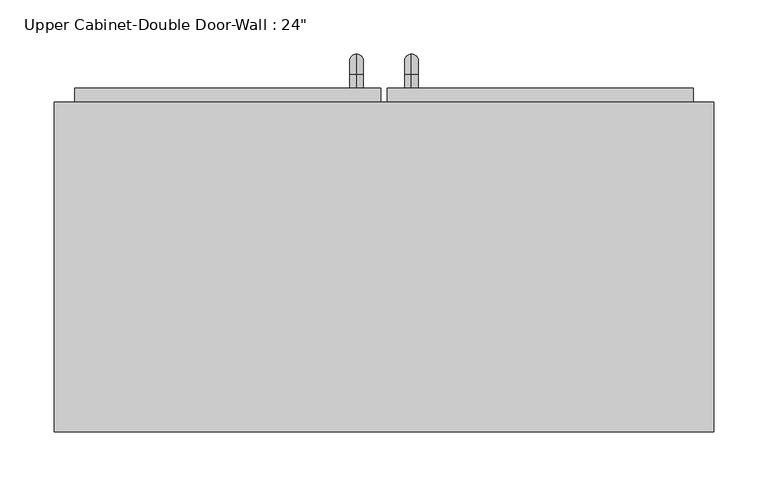
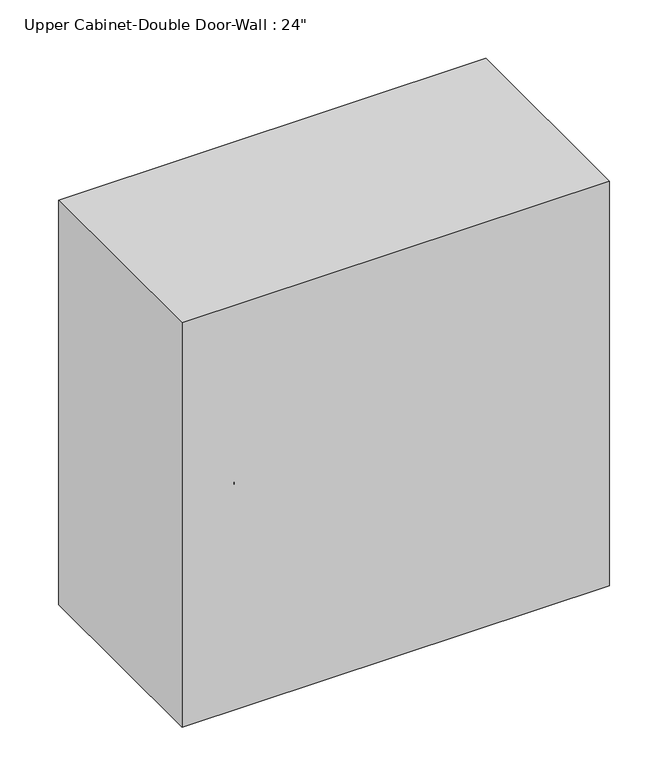
"""IFC4 building model written with IfcOpenShell, lengths in millimetres: furniture geometry."""

import ifcopenshell
import ifcopenshell.guid

model = None  # the IFC model being written
_history = None  # IfcOwnerHistory: only IFC2X3 demands one
_inside = {}  # id of a spatial element -> (the spatial element, [elements in it])
_under = {}  # id of a project, library or spatial element -> (it, [spatial elements below it])
_declared = {}  # id of a project -> (the project, [libraries it declares])
_typed = {}  # id of a type object -> (the type object, [elements of that type])
_made_of = {}  # id of a material, layer set ... -> (it, [elements and type objects made of it])


def new_model(schema):
    """Start an empty IFC model of exactly this schema.

    Asked for "IFC4X3", IfcOpenShell would pick the latest addendum, in which some entities
    have other attributes; the version numbers below select the first issue.
    IFC2X3 requires an IfcOwnerHistory on every rooted entity: one is made here for all.
    """
    global model, _history
    if schema == "IFC4X3":
        model = ifcopenshell.file(schema_version=(4, 3, 0, 0))
    else:
        model = ifcopenshell.file(schema=schema)
    _inside.clear()
    _under.clear()
    _declared.clear()
    _typed.clear()
    _made_of.clear()
    _history = None
    if model.schema == "IFC2X3":
        org = make("IfcOrganization", Name="unknown")
        user = make(
            "IfcPersonAndOrganization",
            ThePerson=make("IfcPerson", FamilyName="unknown"),
            TheOrganization=org,
        )
        app = make(
            "IfcApplication",
            ApplicationDeveloper=org,
            Version="unknown",
            ApplicationFullName="unknown",
            ApplicationIdentifier="unknown",
        )
        _history = make(
            "IfcOwnerHistory",
            OwningUser=user,
            OwningApplication=app,
            ChangeAction="ADDED",
            CreationDate=0,
        )
    return model


def make(cls, **values):
    """One entity of the class cls with the attributes given. An attribute that is None is left unset."""
    return model.create_entity(
        cls, **{name: value for name, value in values.items() if value is not None}
    )


def rooted(cls, **values):
    """An entity with a GlobalId (a new one), such as an element, a storey or a relation."""
    return make(cls, GlobalId=ifcopenshell.guid.new(), OwnerHistory=_history, **values)


def si_unit(unit_type, name, prefix=None):
    """IfcSIUnit, for example si_unit("LENGTHUNIT", "METRE", prefix="MILLI")."""
    return make("IfcSIUnit", UnitType=unit_type, Prefix=prefix, Name=name)


def assignment(units):
    """IfcUnitAssignment: the units of a project."""
    return None if units is None else make("IfcUnitAssignment", Units=units)


def point(xyz):
    """IfcCartesianPoint."""
    return None if xyz is None else make("IfcCartesianPoint", Coordinates=xyz)


def direction(xyz):
    """IfcDirection."""
    return None if xyz is None else make("IfcDirection", DirectionRatios=xyz)


def frame(location, z_axis=None, x_axis=None):
    """IfcAxis2Placement3D, a coordinate frame: its origin and axes. An axis left out is left unset."""
    return make(
        "IfcAxis2Placement3D",
        Location=point(location),
        Axis=direction(z_axis),
        RefDirection=direction(x_axis),
    )


def origin():
    """The frame at (0, 0, 0) with its axes left unset."""
    return frame((0.0, 0.0, 0.0))


def place(relative_to, where):
    """IfcLocalPlacement: puts the frame where relative to a parent placement (None: the world)."""
    return make(
        "IfcLocalPlacement", PlacementRelTo=relative_to, RelativePlacement=where
    )


def context(
    kind, dimensions, precision=None, world=None, true_north=None, identifier=None
):
    """IfcGeometricRepresentationContext, for example the 3D "Model" context."""
    return make(
        "IfcGeometricRepresentationContext",
        ContextIdentifier=identifier,
        ContextType=kind,
        CoordinateSpaceDimension=dimensions,
        Precision=precision,
        WorldCoordinateSystem=world,
        TrueNorth=true_north,
    )


def project(units=None, contexts=None):
    """IfcProject with its units and contexts."""
    return rooted(
        "IfcProject",
        Name="project",
        RepresentationContexts=contexts,
        UnitsInContext=assignment(units),
    )


def spatial(cls, under=None, at=None, **own):
    """A site, building, storey or space (cls), placed at a placement, below another one or the project."""
    s = rooted(cls, ObjectPlacement=at, **own)
    if under is not None:
        _under.setdefault(under.id(), (under, []))[1].append(s)
    return s


def polyline(points):
    """IfcPolyline through the points."""
    return make("IfcPolyline", Points=[point(p) for p in points])


def circle_curve(where, radius):
    """IfcCircle in the frame where."""
    return make("IfcCircle", Position=where, Radius=radius)


def ellipse_curve(where, semi_axis1, semi_axis2):
    """IfcEllipse in the frame where."""
    return make(
        "IfcEllipse", Position=where, SemiAxis1=semi_axis1, SemiAxis2=semi_axis2
    )


def trimmed(basis, trim1, trim2, sense, master):
    """IfcTrimmedCurve: the piece of a basis curve between two trims."""
    return make(
        "IfcTrimmedCurve",
        BasisCurve=basis,
        Trim1=trim1,
        Trim2=trim2,
        SenseAgreement=sense,
        MasterRepresentation=master,
    )


def outline(outer, holes=None, kind="AREA"):
    """IfcArbitraryClosedProfileDef: a profile drawn as a closed curve; with holes, ...WithVoids."""
    if holes is None:
        return make("IfcArbitraryClosedProfileDef", ProfileType=kind, OuterCurve=outer)
    return make(
        "IfcArbitraryProfileDefWithVoids",
        ProfileType=kind,
        OuterCurve=outer,
        InnerCurves=holes,
    )


def extrude(swept, where, along, depth):
    """IfcExtrudedAreaSolid: the profile swept, set in the frame where, extruded along a direction by depth."""
    return make(
        "IfcExtrudedAreaSolid",
        SweptArea=swept,
        Position=where,
        ExtrudedDirection=direction(along),
        Depth=depth,
    )


def faces_of(points, faces, orient=None, outer=None):
    """IfcFace entities. A face is a list of loops; a loop is a list of indices into points, from 0.

    orient and outer hold one flag for each loop. By default every Orientation is true, the
    first loop of a face is its IfcFaceOuterBound and the others are IfcFaceBound.
    """
    made = []
    for i, loops in enumerate(faces):
        bounds = []
        for j, loop in enumerate(loops):
            is_outer = j == 0 if outer is None else outer[i][j]
            bounds.append(
                make(
                    "IfcFaceOuterBound" if is_outer else "IfcFaceBound",
                    Bound=make("IfcPolyLoop", Polygon=[points[k] for k in loop]),
                    Orientation=True if orient is None else orient[i][j],
                )
            )
        made.append(make("IfcFace", Bounds=bounds))
    return made


def faceted_brep(points, faces, orient=None, outer=None, voids=None):
    """IfcFacetedBrep: a solid bounded by flat faces; with voids (closed shells), ...WithVoids."""
    shared = [point(p) for p in points]
    hull = make("IfcClosedShell", CfsFaces=faces_of(shared, faces, orient, outer))
    if voids is None:
        return make("IfcFacetedBrep", Outer=hull)
    return make(
        "IfcFacetedBrepWithVoids",
        Outer=hull,
        Voids=[
            make(cls, CfsFaces=faces_of(shared, fs, o, b)) for cls, fs, o, b in voids
        ],
    )


def shape(context_of_items, identifier, shape_type, items):
    """IfcShapeRepresentation: the items that make up one representation, for example the "Body"."""
    return make(
        "IfcShapeRepresentation",
        ContextOfItems=context_of_items,
        RepresentationIdentifier=identifier,
        RepresentationType=shape_type,
        Items=items,
    )


def source(mapping_origin, context_of_items, identifier, shape_type, items):
    """IfcRepresentationMap: a shape defined once, which mapped items show again and again."""
    return make(
        "IfcRepresentationMap",
        MappingOrigin=mapping_origin,
        MappedRepresentation=shape(context_of_items, identifier, shape_type, items),
    )


def transform(
    local_origin,
    x_axis=None,
    y_axis=None,
    z_axis=None,
    scale=None,
    scale2=None,
    scale3=None,
    uniform=True,
):
    """IfcCartesianTransformationOperator3D, or its non-uniform kind. x_axis, y_axis, z_axis: its Axis1, 2, 3."""
    if uniform:
        return make(
            "IfcCartesianTransformationOperator3D",
            Axis1=direction(x_axis),
            Axis2=direction(y_axis),
            LocalOrigin=point(local_origin),
            Scale=scale,
            Axis3=direction(z_axis),
        )
    return make(
        "IfcCartesianTransformationOperator3DnonUniform",
        Axis1=direction(x_axis),
        Axis2=direction(y_axis),
        LocalOrigin=point(local_origin),
        Scale=scale,
        Axis3=direction(z_axis),
        Scale2=scale2,
        Scale3=scale3,
    )


def mapped(mapping_source, mapping_target):
    """IfcMappedItem: shows the shape of a source again, moved by a transform."""
    return make(
        "IfcMappedItem", MappingSource=mapping_source, MappingTarget=mapping_target
    )


def made_of(thing, what):
    """Note that an element or type object is made of a material, layer set ...; save() writes the relation."""
    if what is not None:
        _made_of.setdefault(what.id(), (what, []))[1].append(thing)
    return thing


def element(
    cls,
    number,
    at=None,
    inside=None,
    cuts=None,
    type_object=None,
    material=None,
    context=None,
    identifier="Body",
    shape_type=None,
    held_by="IfcProductDefinitionShape",
    body=None,
    shapes=None,
    **own,
):
    """One element of the class cls, such as IfcWall. Its Tag is "e" and its number.

    at: its placement. inside: the storey or other place that contains it. cuts: it is an
    opening in that element (IfcRelVoidsElement). A single representation is given by context,
    identifier, shape_type and body (its items); several are given by shapes. held_by: the class
    of the entity that holds the representations. save() writes the other relations.
    """
    e = rooted(cls, Tag="e%d" % number, ObjectPlacement=at, **own)
    if body is not None:
        shapes = [shape(context, identifier, shape_type, body)]
    if shapes is not None:
        e.Representation = make(held_by, Representations=shapes)
    if inside is not None:
        _inside.setdefault(inside.id(), (inside, []))[1].append(e)
    if cuts is not None:
        rooted(
            "IfcRelVoidsElement", RelatingBuildingElement=cuts, RelatedOpeningElement=e
        )
    if type_object is not None:
        _typed.setdefault(type_object.id(), (type_object, []))[1].append(e)
    return made_of(e, material)


def aggregate(whole, parts):
    """IfcRelAggregates: a whole, such as a stair, and the parts it consists of."""
    return rooted("IfcRelAggregates", RelatingObject=whole, RelatedObjects=parts)


def save(model, path):
    """Write the relations noted so far, then the file.

    IfcRelAggregates (storeys below a building ...), IfcRelContainedInSpatialStructure (elements
    in a storey), IfcRelDefinesByType, IfcRelAssociatesMaterial and IfcRelDeclares: one each for
    every whole, place, type object, material and project.
    """
    for whole, parts in _under.values():
        aggregate(whole, parts)
    for where, things in _inside.values():
        rooted(
            "IfcRelContainedInSpatialStructure",
            RelatedElements=things,
            RelatingStructure=where,
        )
    for kind, things in _typed.values():
        rooted("IfcRelDefinesByType", RelatedObjects=things, RelatingType=kind)
    for what, things in _made_of.values():
        rooted("IfcRelAssociatesMaterial", RelatedObjects=things, RelatingMaterial=what)
    for by, libraries in _declared.values():
        rooted("IfcRelDeclares", RelatingContext=by, RelatedDefinitions=libraries)
    model.write(path)


def plane_surface(at):
    """IfcPlane: the flat surface through the origin of the frame at, square to its z axis."""
    return make("IfcPlane", Position=at)


def cylinder_surface(at, radius):
    """IfcCylindricalSurface: all points at the distance radius from the z axis of the frame at."""
    return make("IfcCylindricalSurface", Position=at, Radius=radius)


def revolved_surface(curve, axis_point, axis_direction):
    """IfcSurfaceOfRevolution: the curve turned about the line through axis_point along axis_direction."""
    return make(
        "IfcSurfaceOfRevolution",
        SweptCurve=make("IfcArbitraryOpenProfileDef", ProfileType="CURVE", Curve=curve),
        AxisPosition=make("IfcAxis1Placement", Location=point(axis_point), Axis=direction(axis_direction)),
    )


def advanced_brep(points, edges, surfaces, faces):
    """IfcAdvancedBrep: a solid bounded by faces that lie on surfaces and meet in shared edges.

    An edge is (start, end): straight between two places in points (the first is 0);
    or (start, end, curve); or (start, end, curve, False) where it runs against its curve.
    A face is (place in surfaces, loops), or (place, loops, False) where it looks against
    its surface's normal. A loop lists edges by number (the first is 1), with a minus sign
    where the edge is run from its end to its start. The first loop is the outer one.
    """
    corners = [point(p) for p in points]
    vertices = [make("IfcVertexPoint", VertexGeometry=c) for c in corners]
    made = []
    for start, end, *more in edges:
        made.append(
            make(
                "IfcEdgeCurve",
                EdgeStart=vertices[start],
                EdgeEnd=vertices[end],
                EdgeGeometry=more[0] if more else make("IfcPolyline", Points=[corners[start], corners[end]]),
                SameSense=more[1] if len(more) > 1 else True,
            )
        )
    hull = []
    for where, loops, *sense in faces:
        bounds = []
        for j, loop in enumerate(loops):
            ring = [make("IfcOrientedEdge", EdgeElement=made[abs(k) - 1], Orientation=k > 0) for k in loop]
            bounds.append(
                make(
                    "IfcFaceOuterBound" if j == 0 else "IfcFaceBound",
                    Bound=make("IfcEdgeLoop", EdgeList=ring),
                    Orientation=True,
                )
            )
        hull.append(make("IfcAdvancedFace", Bounds=bounds, FaceSurface=surfaces[where], SameSense=sense[0] if sense else True))
    return make("IfcAdvancedBrep", Outer=make("IfcClosedShell", CfsFaces=hull))


def furniture_7946080a(model_context):
    return source(origin(), model_context, "Body", "SolidModel", [
        faceted_brep([(-275.0288372, 76.2, 2133.6), (-275.0288372, 76.2, 1524.0), (334.5711628, 76.2, 1524.0), (334.5711628, 76.2, 2133.6), (-275.0288372, 381.0, 2133.6), (334.5711628, 381.0, 2133.6), (334.5711628, 381.0, 1524.0), (-275.0288372, 381.0, 1524.0), (-255.9788372, 381.0, 2114.55), (-255.9788372, 381.0, 1543.05), (315.5211628, 381.0, 1543.05), (315.5211628, 381.0, 2114.55), (315.5211628, 95.25, 2114.55), (-255.9788372, 95.25, 2114.55), (315.5211628, 95.25, 1543.05), (-255.9788372, 95.25, 1543.05)], [[[0, 1, 2, 3]], [[4, 5, 6, 7], [8, 9, 10, 11]], [[1, 0, 4, 7]], [[2, 1, 7, 6]], [[3, 2, 6, 5]], [[0, 3, 5, 4]], [[8, 11, 12, 13]], [[11, 10, 14, 12]], [[10, 9, 15, 14]], [[9, 8, 13, 15]], [[13, 12, 14, 15]]]),
        advanced_brep(
        [(55.1711628, 393.7, 1670.05), (55.1711628, 393.7, 1682.75), (55.1711628, 406.4, 1670.05), (55.1711628, 406.4, 1682.75), (55.1711628, 425.45, 1663.7), (55.1711628, 412.75, 1663.7), (55.1711628, 412.75, 1587.5), (55.1711628, 425.45, 1587.5), (55.1711628, 406.4, 1568.45), (55.1711628, 406.4, 1581.15), (55.1711628, 393.7, 1581.15), (55.1711628, 393.7, 1568.45)],
        [
            (0, 1, circle_curve(frame((55.1711628, 393.7, 1676.4), z_axis=(0.0, -1.0, 0.0), x_axis=(0.0, 0.0, -1.0)), 6.35)),
            (1, 0, circle_curve(frame((55.1711628, 393.7, 1676.4), z_axis=(0.0, -1.0, 0.0), x_axis=(0.0, 0.0, -1.0)), 6.35)),
            (0, 2),
            (2, 3, circle_curve(frame((55.1711628, 406.4, 1676.4), z_axis=(0.0, -1.0, 0.0), x_axis=(0.0, 0.0, -1.0)), 6.35)),
            (3, 1),
            (3, 2, circle_curve(frame((55.1711628, 406.4, 1676.4), z_axis=(0.0, -1.0, 0.0), x_axis=(0.0, 0.0, -1.0)), 6.35)),
            (4, 3, circle_curve(frame((55.1711628, 406.4, 1663.7), z_axis=(1.0, 0.0, 0.0), x_axis=(0.0, 0.0, 1.0)), 19.05)),
            (2, 5, circle_curve(frame((55.1711628, 406.4, 1663.7), z_axis=(-1.0, 0.0, 0.0), x_axis=(0.0, 0.0, 1.0)), 6.35)),
            (5, 4, circle_curve(frame((55.1711628, 419.1, 1663.7), z_axis=(0.0, 0.0, 1.0), x_axis=(0.0, -1.0, 0.0)), 6.35)),
            (4, 5, circle_curve(frame((55.1711628, 419.1, 1663.7), z_axis=(0.0, 0.0, 1.0), x_axis=(0.0, -1.0, 0.0)), 6.35)),
            (5, 6),
            (6, 7, circle_curve(frame((55.1711628, 419.1, 1587.5), z_axis=(0.0, 0.0, 1.0), x_axis=(0.0, -1.0, 0.0)), 6.35)),
            (7, 4),
            (7, 6, circle_curve(frame((55.1711628, 419.1, 1587.5), z_axis=(0.0, 0.0, 1.0), x_axis=(0.0, -1.0, 0.0)), 6.35)),
            (8, 7, circle_curve(frame((55.1711628, 406.4, 1587.5), z_axis=(1.0, 0.0, 0.0), x_axis=(0.0, 1.0, 0.0)), 19.05)),
            (6, 9, circle_curve(frame((55.1711628, 406.4, 1587.5), z_axis=(-1.0, 0.0, 0.0), x_axis=(0.0, 1.0, 0.0)), 6.35)),
            (9, 8, circle_curve(frame((55.1711628, 406.4, 1574.8), z_axis=(0.0, 1.0, 0.0), x_axis=(0.0, 0.0, 1.0)), 6.35)),
            (8, 9, circle_curve(frame((55.1711628, 406.4, 1574.8), z_axis=(0.0, 1.0, 0.0), x_axis=(0.0, 0.0, 1.0)), 6.35)),
            (10, 11, circle_curve(frame((55.1711628, 393.7, 1574.8), z_axis=(0.0, -1.0, 0.0), x_axis=(0.0, 0.0, 1.0)), 6.35)),
            (11, 10, circle_curve(frame((55.1711628, 393.7, 1574.8), z_axis=(0.0, -1.0, 0.0), x_axis=(0.0, 0.0, 1.0)), 6.35)),
            (9, 10),
            (11, 8),
        ],
        [
            plane_surface(frame((48.8211628, 393.7, 1676.4), z_axis=(0.0, -1.0, 0.0), x_axis=(0.0, 0.0, 1.0))),
            cylinder_surface(frame((55.1711628, 393.7, 1676.4), z_axis=(0.0, -1.0, 0.0), x_axis=(0.0, 0.0, -1.0)), 6.35),
            revolved_surface(trimmed(ellipse_curve(frame((55.1711628, 406.4, 1676.4), z_axis=(0.0, -1.0, 0.0), x_axis=(0.0, 0.0, -1.0)), 6.35, 6.35), [point((55.1711628, 406.4, 1670.05))], [point((55.1711628, 406.4, 1682.75))], True, "CARTESIAN"), (55.1711628, 406.4, 1663.7), (-1.0, 0.0, 0.0)),
            revolved_surface(trimmed(ellipse_curve(frame((55.1711628, 406.4, 1676.4), z_axis=(0.0, -1.0, 0.0), x_axis=(0.0, 0.0, -1.0)), 6.35, 6.35), [point((55.1711628, 406.4, 1682.75))], [point((55.1711628, 406.4, 1670.05))], True, "CARTESIAN"), (55.1711628, 406.4, 1663.7), (-1.0, 0.0, 0.0)),
            cylinder_surface(frame((55.1711628, 419.1, 1663.7), z_axis=(0.0, 0.0, 1.0), x_axis=(0.0, -1.0, 0.0)), 6.35),
            revolved_surface(trimmed(ellipse_curve(frame((55.1711628, 419.1, 1587.5), z_axis=(0.0, 0.0, 1.0), x_axis=(0.0, -1.0, 0.0)), 6.35, 6.35), [point((55.1711628, 412.75, 1587.5))], [point((55.1711628, 425.45, 1587.5))], True, "CARTESIAN"), (55.1711628, 406.4, 1587.5), (-1.0, 0.0, 0.0)),
            revolved_surface(trimmed(ellipse_curve(frame((55.1711628, 419.1, 1587.5), z_axis=(0.0, 0.0, 1.0), x_axis=(0.0, -1.0, 0.0)), 6.35, 6.35), [point((55.1711628, 425.45, 1587.5))], [point((55.1711628, 412.75, 1587.5))], True, "CARTESIAN"), (55.1711628, 406.4, 1587.5), (-1.0, 0.0, 0.0)),
            plane_surface(frame((48.8211628, 393.7, 1574.8), z_axis=(0.0, -1.0, 0.0), x_axis=(0.0, 0.0, -1.0))),
            cylinder_surface(frame((55.1711628, 406.4, 1574.8), z_axis=(0.0, 1.0, 0.0), x_axis=(0.0, 0.0, 1.0)), 6.35),
        ],
        [
            (0, [[1, 2]]),
            (1, [[-1, 3, 4, 5]]),
            (1, [[-2, -5, 6, -3]]),
            (2, [[7, -4, 8, 9]]),
            (3, [[-8, -6, -7, 10]]),
            (4, [[-9, 11, 12, 13]]),
            (4, [[-10, -13, 14, -11]]),
            (5, [[15, -12, 16, 17]]),
            (6, [[-16, -14, -15, 18]]),
            (7, [[19, 20]]),
            (8, [[-17, 21, -20, 22]]),
            (8, [[-18, -22, -19, -21]]),
        ],
    ),
        advanced_brep(
        [(4.3711628, 393.7, 1670.05), (4.3711628, 393.7, 1682.75), (4.3711628, 406.4, 1670.05), (4.3711628, 406.4, 1682.75), (4.3711628, 425.45, 1663.7), (4.3711628, 412.75, 1663.7), (4.3711628, 412.75, 1587.5), (4.3711628, 425.45, 1587.5), (4.3711628, 406.4, 1568.45), (4.3711628, 406.4, 1581.15), (4.3711628, 393.7, 1581.15), (4.3711628, 393.7, 1568.45)],
        [
            (0, 1, circle_curve(frame((4.3711628, 393.7, 1676.4), z_axis=(0.0, -1.0, 0.0), x_axis=(0.0, 0.0, 1.0)), 6.35)),
            (1, 0, circle_curve(frame((4.3711628, 393.7, 1676.4), z_axis=(0.0, -1.0, 0.0), x_axis=(0.0, 0.0, 1.0)), 6.35)),
            (0, 2),
            (2, 3, circle_curve(frame((4.3711628, 406.4, 1676.4), z_axis=(0.0, -1.0, 0.0), x_axis=(0.0, 0.0, 1.0)), 6.35)),
            (3, 1),
            (3, 2, circle_curve(frame((4.3711628, 406.4, 1676.4), z_axis=(0.0, -1.0, 0.0), x_axis=(0.0, 0.0, 1.0)), 6.35)),
            (4, 3, circle_curve(frame((4.3711628, 406.4, 1663.7), z_axis=(1.0, 0.0, 0.0), x_axis=(0.0, 0.0, 1.0)), 19.05)),
            (2, 5, circle_curve(frame((4.3711628, 406.4, 1663.7), z_axis=(-1.0, 0.0, 0.0), x_axis=(0.0, 0.0, 1.0)), 6.35)),
            (5, 4, circle_curve(frame((4.3711628, 419.1, 1663.7), z_axis=(0.0, 0.0, 1.0), x_axis=(0.0, 1.0, 0.0)), 6.35)),
            (4, 5, circle_curve(frame((4.3711628, 419.1, 1663.7), z_axis=(0.0, 0.0, 1.0), x_axis=(0.0, 1.0, 0.0)), 6.35)),
            (5, 6),
            (6, 7, circle_curve(frame((4.3711628, 419.1, 1587.5), z_axis=(0.0, 0.0, 1.0), x_axis=(0.0, 1.0, 0.0)), 6.35)),
            (7, 4),
            (7, 6, circle_curve(frame((4.3711628, 419.1, 1587.5), z_axis=(0.0, 0.0, 1.0), x_axis=(0.0, 1.0, 0.0)), 6.35)),
            (8, 7, circle_curve(frame((4.3711628, 406.4, 1587.5), z_axis=(1.0, 0.0, 0.0), x_axis=(0.0, 1.0, 0.0)), 19.05)),
            (6, 9, circle_curve(frame((4.3711628, 406.4, 1587.5), z_axis=(-1.0, 0.0, 0.0), x_axis=(0.0, 1.0, 0.0)), 6.35)),
            (9, 8, circle_curve(frame((4.3711628, 406.4, 1574.8), z_axis=(0.0, 1.0, 0.0), x_axis=(0.0, 0.0, -1.0)), 6.35)),
            (8, 9, circle_curve(frame((4.3711628, 406.4, 1574.8), z_axis=(0.0, 1.0, 0.0), x_axis=(0.0, 0.0, -1.0)), 6.35)),
            (10, 11, circle_curve(frame((4.3711628, 393.7, 1574.8), z_axis=(0.0, -1.0, 0.0), x_axis=(0.0, 0.0, -1.0)), 6.35)),
            (11, 10, circle_curve(frame((4.3711628, 393.7, 1574.8), z_axis=(0.0, -1.0, 0.0), x_axis=(0.0, 0.0, -1.0)), 6.35)),
            (9, 10),
            (11, 8),
        ],
        [
            plane_surface(frame((-1.9788372, 393.7, 1676.4), z_axis=(0.0, -1.0, 0.0), x_axis=(0.0, 0.0, 1.0))),
            cylinder_surface(frame((4.3711628, 393.7, 1676.4), z_axis=(0.0, -1.0, 0.0), x_axis=(0.0, 0.0, 1.0)), 6.35),
            revolved_surface(trimmed(ellipse_curve(frame((4.3711628, 406.4, 1676.4), z_axis=(0.0, -1.0, 0.0), x_axis=(0.0, 0.0, 1.0)), 6.35, 6.35), [point((4.3711628, 406.4, 1670.05))], [point((4.3711628, 406.4, 1682.75))], True, "CARTESIAN"), (4.3711628, 406.4, 1663.7), (-1.0, 0.0, 0.0)),
            revolved_surface(trimmed(ellipse_curve(frame((4.3711628, 406.4, 1676.4), z_axis=(0.0, -1.0, 0.0), x_axis=(0.0, 0.0, 1.0)), 6.35, 6.35), [point((4.3711628, 406.4, 1682.75))], [point((4.3711628, 406.4, 1670.05))], True, "CARTESIAN"), (4.3711628, 406.4, 1663.7), (-1.0, 0.0, 0.0)),
            cylinder_surface(frame((4.3711628, 419.1, 1663.7), z_axis=(0.0, 0.0, 1.0), x_axis=(0.0, 1.0, 0.0)), 6.35),
            revolved_surface(trimmed(ellipse_curve(frame((4.3711628, 419.1, 1587.5), z_axis=(0.0, 0.0, 1.0), x_axis=(0.0, 1.0, 0.0)), 6.35, 6.35), [point((4.3711628, 412.75, 1587.5))], [point((4.3711628, 425.45, 1587.5))], True, "CARTESIAN"), (4.3711628, 406.4, 1587.5), (-1.0, 0.0, 0.0)),
            revolved_surface(trimmed(ellipse_curve(frame((4.3711628, 419.1, 1587.5), z_axis=(0.0, 0.0, 1.0), x_axis=(0.0, 1.0, 0.0)), 6.35, 6.35), [point((4.3711628, 425.45, 1587.5))], [point((4.3711628, 412.75, 1587.5))], True, "CARTESIAN"), (4.3711628, 406.4, 1587.5), (-1.0, 0.0, 0.0)),
            plane_surface(frame((-1.9788372, 393.7, 1574.8), z_axis=(0.0, -1.0, 0.0), x_axis=(0.0, 0.0, -1.0))),
            cylinder_surface(frame((4.3711628, 406.4, 1574.8), z_axis=(0.0, 1.0, 0.0), x_axis=(0.0, 0.0, -1.0)), 6.35),
        ],
        [
            (0, [[1, 2]]),
            (1, [[-1, 3, 4, 5]]),
            (1, [[-2, -5, 6, -3]]),
            (2, [[7, -4, 8, 9]]),
            (3, [[-8, -6, -7, 10]]),
            (4, [[-9, 11, 12, 13]]),
            (4, [[-10, -13, 14, -11]]),
            (5, [[15, -12, 16, 17]]),
            (6, [[-16, -14, -15, 18]]),
            (7, [[19, 20]]),
            (8, [[-17, 21, -20, 22]]),
            (8, [[-18, -22, -19, -21]]),
        ],
    ),
        extrude(outline(polyline([(32.9461628, 393.7), (315.5211628, 393.7), (315.5211628, 361.95), (32.9461628, 361.95), (32.9461628, 393.7)])), frame((0.0, 0.0, 1543.05), z_axis=(0.0, 0.0, 1.0), x_axis=(1.0, 0.0, 0.0)), (0.0, 0.0, 1.0), 571.5),
        extrude(outline(polyline([(-255.9788372, 393.7), (26.5961628, 393.7), (26.5961628, 361.95), (-255.9788372, 361.95), (-255.9788372, 393.7)])), frame((0.0, 0.0, 1543.05), z_axis=(0.0, 0.0, 1.0), x_axis=(1.0, 0.0, 0.0)), (0.0, 0.0, 1.0), 571.5),
    ])


if __name__ == "__main__":
    model = new_model("IFC4")
    model_context = context("Model", 3, world=origin())
    ifc_project = project(units=[si_unit("LENGTHUNIT", "METRE", prefix="MILLI")], contexts=[model_context])
    site = spatial("IfcSite", under=ifc_project)
    building = spatial("IfcBuilding", under=site)
    placement = place(None, origin())
    furniture_shape = furniture_7946080a(model_context)
    element("IfcFurniture", 1, ObjectType="Upper Cabinet-Double Door-Wall : 24\"", at=placement, inside=building, context=model_context, shape_type="MappedRepresentation", body=[
        mapped(furniture_shape, transform((0.0, 0.0, 0.0), x_axis=(1.0, 0.0, 0.0), y_axis=(0.0, 1.0, 0.0), z_axis=(0.0, 0.0, 1.0))),
    ])
    save(model, "model.ifc")
